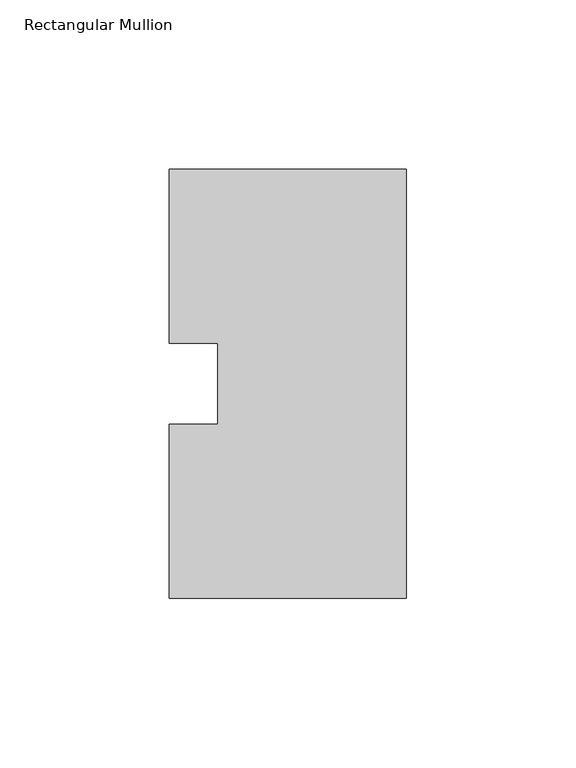
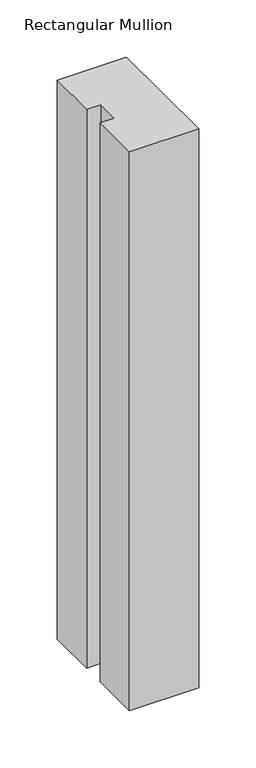
"""IFC4 building model written with IfcOpenShell, lengths in millimetres: member geometry, Rectangular Mullion."""

from ifc_helpers import new_model, si_unit, frame, origin, place, context, project, spatial, polyline, outline, extrude, source, transform, mapped, element, save


def rectangular_mullion_c5fa8fa9(model_context):
    return source(origin(), model_context, "Body", "SweptSolid", [
        extrude(outline(polyline([(-69.85, 0.26035), (-69.85, 51.60645), (-55.5625, 51.60645), (-55.5625, 75.40625), (-69.85, 75.40625), (-69.85, 126.75235), (0.0, 126.75235), (0.0, 0.26035), (-69.85, 0.26035)])), frame((0.0, 0.0, -596.9063827), z_axis=(0.0, 0.0, 1.0), x_axis=(1.0, 0.0, 0.0)), (0.0, 0.0, 1.0), 596.9063827),
    ])


if __name__ == "__main__":
    model = new_model("IFC4")
    model_context = context("Model", 3, world=origin())
    ifc_project = project(units=[si_unit("LENGTHUNIT", "METRE", prefix="MILLI")], contexts=[model_context])
    site = spatial("IfcSite", under=ifc_project)
    building = spatial("IfcBuilding", under=site)
    placement = place(None, origin())
    rectangular_mullion_shape = rectangular_mullion_c5fa8fa9(model_context)
    element("IfcMember", 1, ObjectType="Rectangular Mullion", at=placement, inside=building, context=model_context, shape_type="MappedRepresentation", body=[
        mapped(rectangular_mullion_shape, transform((0.0, 0.0, 0.0), x_axis=(1.0, 0.0, 0.0), y_axis=(0.0, 1.0, 0.0), z_axis=(0.0, 0.0, 1.0))),
    ])
    save(model, "model.ifc")
